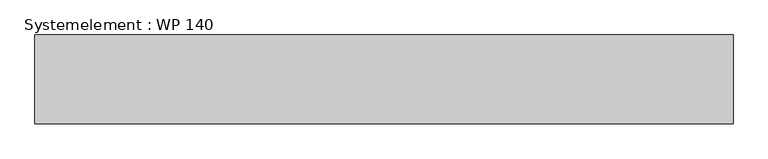
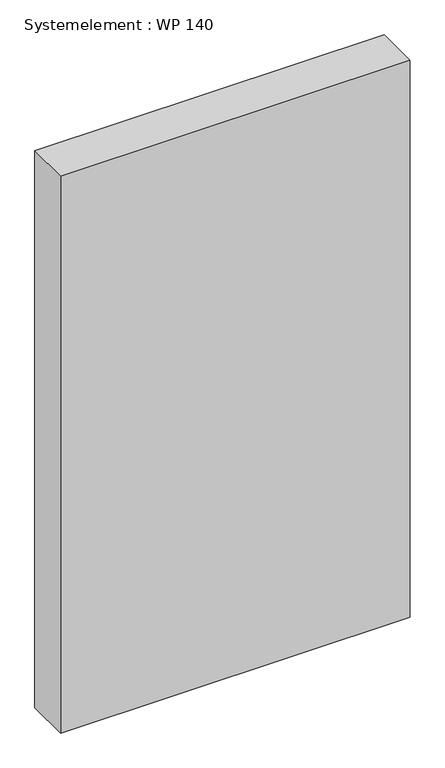
"""IFC4 building model written with IfcOpenShell, lengths in millimetres: plate geometry, Systemelement : WP 140."""

import ifcopenshell
import ifcopenshell.guid

model = None  # the IFC model being written
_history = None  # IfcOwnerHistory: only IFC2X3 demands one
_inside = {}  # id of a spatial element -> (the spatial element, [elements in it])
_under = {}  # id of a project, library or spatial element -> (it, [spatial elements below it])
_declared = {}  # id of a project -> (the project, [libraries it declares])
_typed = {}  # id of a type object -> (the type object, [elements of that type])
_made_of = {}  # id of a material, layer set ... -> (it, [elements and type objects made of it])


def new_model(schema):
    """Start an empty IFC model of exactly this schema.

    Asked for "IFC4X3", IfcOpenShell would pick the latest addendum, in which some entities
    have other attributes; the version numbers below select the first issue.
    IFC2X3 requires an IfcOwnerHistory on every rooted entity: one is made here for all.
    """
    global model, _history
    if schema == "IFC4X3":
        model = ifcopenshell.file(schema_version=(4, 3, 0, 0))
    else:
        model = ifcopenshell.file(schema=schema)
    _inside.clear()
    _under.clear()
    _declared.clear()
    _typed.clear()
    _made_of.clear()
    _history = None
    if model.schema == "IFC2X3":
        org = make("IfcOrganization", Name="unknown")
        user = make(
            "IfcPersonAndOrganization",
            ThePerson=make("IfcPerson", FamilyName="unknown"),
            TheOrganization=org,
        )
        app = make(
            "IfcApplication",
            ApplicationDeveloper=org,
            Version="unknown",
            ApplicationFullName="unknown",
            ApplicationIdentifier="unknown",
        )
        _history = make(
            "IfcOwnerHistory",
            OwningUser=user,
            OwningApplication=app,
            ChangeAction="ADDED",
            CreationDate=0,
        )
    return model


def make(cls, **values):
    """One entity of the class cls with the attributes given. An attribute that is None is left unset."""
    return model.create_entity(
        cls, **{name: value for name, value in values.items() if value is not None}
    )


def rooted(cls, **values):
    """An entity with a GlobalId (a new one), such as an element, a storey or a relation."""
    return make(cls, GlobalId=ifcopenshell.guid.new(), OwnerHistory=_history, **values)


def si_unit(unit_type, name, prefix=None):
    """IfcSIUnit, for example si_unit("LENGTHUNIT", "METRE", prefix="MILLI")."""
    return make("IfcSIUnit", UnitType=unit_type, Prefix=prefix, Name=name)


def assignment(units):
    """IfcUnitAssignment: the units of a project."""
    return None if units is None else make("IfcUnitAssignment", Units=units)


def point(xyz):
    """IfcCartesianPoint."""
    return None if xyz is None else make("IfcCartesianPoint", Coordinates=xyz)


def direction(xyz):
    """IfcDirection."""
    return None if xyz is None else make("IfcDirection", DirectionRatios=xyz)


def frame(location, z_axis=None, x_axis=None):
    """IfcAxis2Placement3D, a coordinate frame: its origin and axes. An axis left out is left unset."""
    return make(
        "IfcAxis2Placement3D",
        Location=point(location),
        Axis=direction(z_axis),
        RefDirection=direction(x_axis),
    )


def origin():
    """The frame at (0, 0, 0) with its axes left unset."""
    return frame((0.0, 0.0, 0.0))


def origin_with_axes():
    """The frame at (0, 0, 0) with the z axis (0, 0, 1) and the x axis (1, 0, 0) written out."""
    return frame((0.0, 0.0, 0.0), z_axis=(0.0, 0.0, 1.0), x_axis=(1.0, 0.0, 0.0))


def place(relative_to, where):
    """IfcLocalPlacement: puts the frame where relative to a parent placement (None: the world)."""
    return make(
        "IfcLocalPlacement", PlacementRelTo=relative_to, RelativePlacement=where
    )


def context(
    kind, dimensions, precision=None, world=None, true_north=None, identifier=None
):
    """IfcGeometricRepresentationContext, for example the 3D "Model" context."""
    return make(
        "IfcGeometricRepresentationContext",
        ContextIdentifier=identifier,
        ContextType=kind,
        CoordinateSpaceDimension=dimensions,
        Precision=precision,
        WorldCoordinateSystem=world,
        TrueNorth=true_north,
    )


def project(units=None, contexts=None):
    """IfcProject with its units and contexts."""
    return rooted(
        "IfcProject",
        Name="project",
        RepresentationContexts=contexts,
        UnitsInContext=assignment(units),
    )


def spatial(cls, under=None, at=None, **own):
    """A site, building, storey or space (cls), placed at a placement, below another one or the project."""
    s = rooted(cls, ObjectPlacement=at, **own)
    if under is not None:
        _under.setdefault(under.id(), (under, []))[1].append(s)
    return s


def polyline(points):
    """IfcPolyline through the points."""
    return make("IfcPolyline", Points=[point(p) for p in points])


def outline(outer, holes=None, kind="AREA"):
    """IfcArbitraryClosedProfileDef: a profile drawn as a closed curve; with holes, ...WithVoids."""
    if holes is None:
        return make("IfcArbitraryClosedProfileDef", ProfileType=kind, OuterCurve=outer)
    return make(
        "IfcArbitraryProfileDefWithVoids",
        ProfileType=kind,
        OuterCurve=outer,
        InnerCurves=holes,
    )


def extrude(swept, where, along, depth):
    """IfcExtrudedAreaSolid: the profile swept, set in the frame where, extruded along a direction by depth."""
    return make(
        "IfcExtrudedAreaSolid",
        SweptArea=swept,
        Position=where,
        ExtrudedDirection=direction(along),
        Depth=depth,
    )


def shape(context_of_items, identifier, shape_type, items):
    """IfcShapeRepresentation: the items that make up one representation, for example the "Body"."""
    return make(
        "IfcShapeRepresentation",
        ContextOfItems=context_of_items,
        RepresentationIdentifier=identifier,
        RepresentationType=shape_type,
        Items=items,
    )


def source(mapping_origin, context_of_items, identifier, shape_type, items):
    """IfcRepresentationMap: a shape defined once, which mapped items show again and again."""
    return make(
        "IfcRepresentationMap",
        MappingOrigin=mapping_origin,
        MappedRepresentation=shape(context_of_items, identifier, shape_type, items),
    )


def transform(
    local_origin,
    x_axis=None,
    y_axis=None,
    z_axis=None,
    scale=None,
    scale2=None,
    scale3=None,
    uniform=True,
):
    """IfcCartesianTransformationOperator3D, or its non-uniform kind. x_axis, y_axis, z_axis: its Axis1, 2, 3."""
    if uniform:
        return make(
            "IfcCartesianTransformationOperator3D",
            Axis1=direction(x_axis),
            Axis2=direction(y_axis),
            LocalOrigin=point(local_origin),
            Scale=scale,
            Axis3=direction(z_axis),
        )
    return make(
        "IfcCartesianTransformationOperator3DnonUniform",
        Axis1=direction(x_axis),
        Axis2=direction(y_axis),
        LocalOrigin=point(local_origin),
        Scale=scale,
        Axis3=direction(z_axis),
        Scale2=scale2,
        Scale3=scale3,
    )


def mapped(mapping_source, mapping_target):
    """IfcMappedItem: shows the shape of a source again, moved by a transform."""
    return make(
        "IfcMappedItem", MappingSource=mapping_source, MappingTarget=mapping_target
    )


def made_of(thing, what):
    """Note that an element or type object is made of a material, layer set ...; save() writes the relation."""
    if what is not None:
        _made_of.setdefault(what.id(), (what, []))[1].append(thing)
    return thing


def element(
    cls,
    number,
    at=None,
    inside=None,
    cuts=None,
    type_object=None,
    material=None,
    context=None,
    identifier="Body",
    shape_type=None,
    held_by="IfcProductDefinitionShape",
    body=None,
    shapes=None,
    **own,
):
    """One element of the class cls, such as IfcWall. Its Tag is "e" and its number.

    at: its placement. inside: the storey or other place that contains it. cuts: it is an
    opening in that element (IfcRelVoidsElement). A single representation is given by context,
    identifier, shape_type and body (its items); several are given by shapes. held_by: the class
    of the entity that holds the representations. save() writes the other relations.
    """
    e = rooted(cls, Tag="e%d" % number, ObjectPlacement=at, **own)
    if body is not None:
        shapes = [shape(context, identifier, shape_type, body)]
    if shapes is not None:
        e.Representation = make(held_by, Representations=shapes)
    if inside is not None:
        _inside.setdefault(inside.id(), (inside, []))[1].append(e)
    if cuts is not None:
        rooted(
            "IfcRelVoidsElement", RelatingBuildingElement=cuts, RelatedOpeningElement=e
        )
    if type_object is not None:
        _typed.setdefault(type_object.id(), (type_object, []))[1].append(e)
    return made_of(e, material)


def aggregate(whole, parts):
    """IfcRelAggregates: a whole, such as a stair, and the parts it consists of."""
    return rooted("IfcRelAggregates", RelatingObject=whole, RelatedObjects=parts)


def save(model, path):
    """Write the relations noted so far, then the file.

    IfcRelAggregates (storeys below a building ...), IfcRelContainedInSpatialStructure (elements
    in a storey), IfcRelDefinesByType, IfcRelAssociatesMaterial and IfcRelDeclares: one each for
    every whole, place, type object, material and project.
    """
    for whole, parts in _under.values():
        aggregate(whole, parts)
    for where, things in _inside.values():
        rooted(
            "IfcRelContainedInSpatialStructure",
            RelatedElements=things,
            RelatingStructure=where,
        )
    for kind, things in _typed.values():
        rooted("IfcRelDefinesByType", RelatedObjects=things, RelatingType=kind)
    for what, things in _made_of.values():
        rooted("IfcRelAssociatesMaterial", RelatedObjects=things, RelatingMaterial=what)
    for by, libraries in _declared.values():
        rooted("IfcRelDeclares", RelatingContext=by, RelatedDefinitions=libraries)
    model.write(path)


def systemelement_wp_140_6c743b6e(model_context):
    return source(origin(), model_context, "Body", "SweptSolid", [
        extrude(outline(polyline([(550.0, -140.0), (-550.0, -140.0), (-550.0, 0.0), (550.0, 0.0), (550.0, -140.0)])), origin_with_axes(), (0.0, 0.0, 1.0), 1851.6147161),
    ])


if __name__ == "__main__":
    model = new_model("IFC4")
    model_context = context("Model", 3, world=origin())
    ifc_project = project(units=[si_unit("LENGTHUNIT", "METRE", prefix="MILLI")], contexts=[model_context])
    site = spatial("IfcSite", under=ifc_project)
    building = spatial("IfcBuilding", under=site)
    placement = place(None, origin())
    systemelement_wp_140_shape = systemelement_wp_140_6c743b6e(model_context)
    element("IfcPlate", 1, ObjectType="Systemelement : WP 140", at=placement, inside=building, context=model_context, shape_type="MappedRepresentation", body=[
        mapped(systemelement_wp_140_shape, transform((0.0, 0.0, 0.0), x_axis=(1.0, 0.0, 0.0), y_axis=(0.0, 1.0, 0.0), z_axis=(0.0, 0.0, 1.0))),
    ])
    save(model, "model.ifc")
